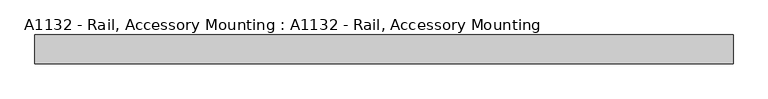
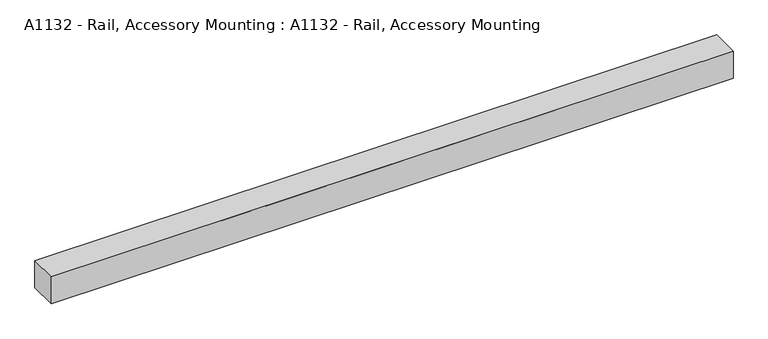
"""IFC4 building model written with IfcOpenShell, lengths in millimetres: proxy geometry, A1132 - Rail, Accessory Mounting : A1132 - Rail, Accessory Mounting."""

import ifcopenshell
import ifcopenshell.guid

model = None  # the IFC model being written
_history = None  # IfcOwnerHistory: only IFC2X3 demands one
_inside = {}  # id of a spatial element -> (the spatial element, [elements in it])
_under = {}  # id of a project, library or spatial element -> (it, [spatial elements below it])
_declared = {}  # id of a project -> (the project, [libraries it declares])
_typed = {}  # id of a type object -> (the type object, [elements of that type])
_made_of = {}  # id of a material, layer set ... -> (it, [elements and type objects made of it])


def new_model(schema):
    """Start an empty IFC model of exactly this schema.

    Asked for "IFC4X3", IfcOpenShell would pick the latest addendum, in which some entities
    have other attributes; the version numbers below select the first issue.
    IFC2X3 requires an IfcOwnerHistory on every rooted entity: one is made here for all.
    """
    global model, _history
    if schema == "IFC4X3":
        model = ifcopenshell.file(schema_version=(4, 3, 0, 0))
    else:
        model = ifcopenshell.file(schema=schema)
    _inside.clear()
    _under.clear()
    _declared.clear()
    _typed.clear()
    _made_of.clear()
    _history = None
    if model.schema == "IFC2X3":
        org = make("IfcOrganization", Name="unknown")
        user = make(
            "IfcPersonAndOrganization",
            ThePerson=make("IfcPerson", FamilyName="unknown"),
            TheOrganization=org,
        )
        app = make(
            "IfcApplication",
            ApplicationDeveloper=org,
            Version="unknown",
            ApplicationFullName="unknown",
            ApplicationIdentifier="unknown",
        )
        _history = make(
            "IfcOwnerHistory",
            OwningUser=user,
            OwningApplication=app,
            ChangeAction="ADDED",
            CreationDate=0,
        )
    return model


def make(cls, **values):
    """One entity of the class cls with the attributes given. An attribute that is None is left unset."""
    return model.create_entity(
        cls, **{name: value for name, value in values.items() if value is not None}
    )


def rooted(cls, **values):
    """An entity with a GlobalId (a new one), such as an element, a storey or a relation."""
    return make(cls, GlobalId=ifcopenshell.guid.new(), OwnerHistory=_history, **values)


def si_unit(unit_type, name, prefix=None):
    """IfcSIUnit, for example si_unit("LENGTHUNIT", "METRE", prefix="MILLI")."""
    return make("IfcSIUnit", UnitType=unit_type, Prefix=prefix, Name=name)


def assignment(units):
    """IfcUnitAssignment: the units of a project."""
    return None if units is None else make("IfcUnitAssignment", Units=units)


def point(xyz):
    """IfcCartesianPoint."""
    return None if xyz is None else make("IfcCartesianPoint", Coordinates=xyz)


def direction(xyz):
    """IfcDirection."""
    return None if xyz is None else make("IfcDirection", DirectionRatios=xyz)


def frame(location, z_axis=None, x_axis=None):
    """IfcAxis2Placement3D, a coordinate frame: its origin and axes. An axis left out is left unset."""
    return make(
        "IfcAxis2Placement3D",
        Location=point(location),
        Axis=direction(z_axis),
        RefDirection=direction(x_axis),
    )


def origin():
    """The frame at (0, 0, 0) with its axes left unset."""
    return frame((0.0, 0.0, 0.0))


def origin_with_axes():
    """The frame at (0, 0, 0) with the z axis (0, 0, 1) and the x axis (1, 0, 0) written out."""
    return frame((0.0, 0.0, 0.0), z_axis=(0.0, 0.0, 1.0), x_axis=(1.0, 0.0, 0.0))


def place(relative_to, where):
    """IfcLocalPlacement: puts the frame where relative to a parent placement (None: the world)."""
    return make(
        "IfcLocalPlacement", PlacementRelTo=relative_to, RelativePlacement=where
    )


def context(
    kind, dimensions, precision=None, world=None, true_north=None, identifier=None
):
    """IfcGeometricRepresentationContext, for example the 3D "Model" context."""
    return make(
        "IfcGeometricRepresentationContext",
        ContextIdentifier=identifier,
        ContextType=kind,
        CoordinateSpaceDimension=dimensions,
        Precision=precision,
        WorldCoordinateSystem=world,
        TrueNorth=true_north,
    )


def project(units=None, contexts=None):
    """IfcProject with its units and contexts."""
    return rooted(
        "IfcProject",
        Name="project",
        RepresentationContexts=contexts,
        UnitsInContext=assignment(units),
    )


def spatial(cls, under=None, at=None, **own):
    """A site, building, storey or space (cls), placed at a placement, below another one or the project."""
    s = rooted(cls, ObjectPlacement=at, **own)
    if under is not None:
        _under.setdefault(under.id(), (under, []))[1].append(s)
    return s


def polyline(points):
    """IfcPolyline through the points."""
    return make("IfcPolyline", Points=[point(p) for p in points])


def outline(outer, holes=None, kind="AREA"):
    """IfcArbitraryClosedProfileDef: a profile drawn as a closed curve; with holes, ...WithVoids."""
    if holes is None:
        return make("IfcArbitraryClosedProfileDef", ProfileType=kind, OuterCurve=outer)
    return make(
        "IfcArbitraryProfileDefWithVoids",
        ProfileType=kind,
        OuterCurve=outer,
        InnerCurves=holes,
    )


def extrude(swept, where, along, depth):
    """IfcExtrudedAreaSolid: the profile swept, set in the frame where, extruded along a direction by depth."""
    return make(
        "IfcExtrudedAreaSolid",
        SweptArea=swept,
        Position=where,
        ExtrudedDirection=direction(along),
        Depth=depth,
    )


def shape(context_of_items, identifier, shape_type, items):
    """IfcShapeRepresentation: the items that make up one representation, for example the "Body"."""
    return make(
        "IfcShapeRepresentation",
        ContextOfItems=context_of_items,
        RepresentationIdentifier=identifier,
        RepresentationType=shape_type,
        Items=items,
    )


def source(mapping_origin, context_of_items, identifier, shape_type, items):
    """IfcRepresentationMap: a shape defined once, which mapped items show again and again."""
    return make(
        "IfcRepresentationMap",
        MappingOrigin=mapping_origin,
        MappedRepresentation=shape(context_of_items, identifier, shape_type, items),
    )


def transform(
    local_origin,
    x_axis=None,
    y_axis=None,
    z_axis=None,
    scale=None,
    scale2=None,
    scale3=None,
    uniform=True,
):
    """IfcCartesianTransformationOperator3D, or its non-uniform kind. x_axis, y_axis, z_axis: its Axis1, 2, 3."""
    if uniform:
        return make(
            "IfcCartesianTransformationOperator3D",
            Axis1=direction(x_axis),
            Axis2=direction(y_axis),
            LocalOrigin=point(local_origin),
            Scale=scale,
            Axis3=direction(z_axis),
        )
    return make(
        "IfcCartesianTransformationOperator3DnonUniform",
        Axis1=direction(x_axis),
        Axis2=direction(y_axis),
        LocalOrigin=point(local_origin),
        Scale=scale,
        Axis3=direction(z_axis),
        Scale2=scale2,
        Scale3=scale3,
    )


def mapped(mapping_source, mapping_target):
    """IfcMappedItem: shows the shape of a source again, moved by a transform."""
    return make(
        "IfcMappedItem", MappingSource=mapping_source, MappingTarget=mapping_target
    )


def made_of(thing, what):
    """Note that an element or type object is made of a material, layer set ...; save() writes the relation."""
    if what is not None:
        _made_of.setdefault(what.id(), (what, []))[1].append(thing)
    return thing


def element(
    cls,
    number,
    at=None,
    inside=None,
    cuts=None,
    type_object=None,
    material=None,
    context=None,
    identifier="Body",
    shape_type=None,
    held_by="IfcProductDefinitionShape",
    body=None,
    shapes=None,
    **own,
):
    """One element of the class cls, such as IfcWall. Its Tag is "e" and its number.

    at: its placement. inside: the storey or other place that contains it. cuts: it is an
    opening in that element (IfcRelVoidsElement). A single representation is given by context,
    identifier, shape_type and body (its items); several are given by shapes. held_by: the class
    of the entity that holds the representations. save() writes the other relations.
    """
    e = rooted(cls, Tag="e%d" % number, ObjectPlacement=at, **own)
    if body is not None:
        shapes = [shape(context, identifier, shape_type, body)]
    if shapes is not None:
        e.Representation = make(held_by, Representations=shapes)
    if inside is not None:
        _inside.setdefault(inside.id(), (inside, []))[1].append(e)
    if cuts is not None:
        rooted(
            "IfcRelVoidsElement", RelatingBuildingElement=cuts, RelatedOpeningElement=e
        )
    if type_object is not None:
        _typed.setdefault(type_object.id(), (type_object, []))[1].append(e)
    return made_of(e, material)


def aggregate(whole, parts):
    """IfcRelAggregates: a whole, such as a stair, and the parts it consists of."""
    return rooted("IfcRelAggregates", RelatingObject=whole, RelatedObjects=parts)


def save(model, path):
    """Write the relations noted so far, then the file.

    IfcRelAggregates (storeys below a building ...), IfcRelContainedInSpatialStructure (elements
    in a storey), IfcRelDefinesByType, IfcRelAssociatesMaterial and IfcRelDeclares: one each for
    every whole, place, type object, material and project.
    """
    for whole, parts in _under.values():
        aggregate(whole, parts)
    for where, things in _inside.values():
        rooted(
            "IfcRelContainedInSpatialStructure",
            RelatedElements=things,
            RelatingStructure=where,
        )
    for kind, things in _typed.values():
        rooted("IfcRelDefinesByType", RelatedObjects=things, RelatingType=kind)
    for what, things in _made_of.values():
        rooted("IfcRelAssociatesMaterial", RelatedObjects=things, RelatingMaterial=what)
    for by, libraries in _declared.values():
        rooted("IfcRelDeclares", RelatingContext=by, RelatedDefinitions=libraries)
    model.write(path)


def a1132_rail_accessory_mounting_a1132_rail_accessory_mounting_24bb1397(model_context):
    return source(origin(), model_context, "Body", "SweptSolid", [
        extrude(outline(polyline([(609.6, -50.8), (-609.6, -50.8), (-609.6, 0.0), (609.6, 0.0), (609.6, -50.8)])), origin_with_axes(), (0.0, 0.0, 1.0), 50.8),
        extrude(outline(polyline([(-12.7, 25.4), (-12.7, 0.0), (-38.1, 0.0), (-38.1, 25.4), (-50.8, 25.4), (-50.8, 50.8), (0.0, 50.8), (0.0, 25.4), (-12.7, 25.4)])), frame((-304.8, 0.0, 0.0), z_axis=(1.0, 0.0, 0.0), x_axis=(0.0, 1.0, 0.0)), (0.0, 0.0, 1.0), 609.6),
    ])


if __name__ == "__main__":
    model = new_model("IFC4")
    model_context = context("Model", 3, world=origin())
    ifc_project = project(units=[si_unit("LENGTHUNIT", "METRE", prefix="MILLI")], contexts=[model_context])
    site = spatial("IfcSite", under=ifc_project)
    building = spatial("IfcBuilding", under=site)
    placement = place(None, origin())
    a1132_rail_accessory_mounting_a1132_rail_accessory_mounting_shape = a1132_rail_accessory_mounting_a1132_rail_accessory_mounting_24bb1397(model_context)
    element("IfcBuildingElementProxy", 1, Name="A1132 - Rail, Accessory Mounting : A1132 - Rail, Accessory Mounting", ObjectType="A1132 - Rail, Accessory Mounting : A1132 - Rail, Accessory Mounting", at=placement, inside=building, context=model_context, shape_type="MappedRepresentation", body=[
        mapped(a1132_rail_accessory_mounting_a1132_rail_accessory_mounting_shape, transform((0.0, 0.0, 0.0), x_axis=(1.0, 0.0, 0.0), y_axis=(0.0, 1.0, 0.0), z_axis=(0.0, 0.0, 1.0))),
    ])
    save(model, "model.ifc")
